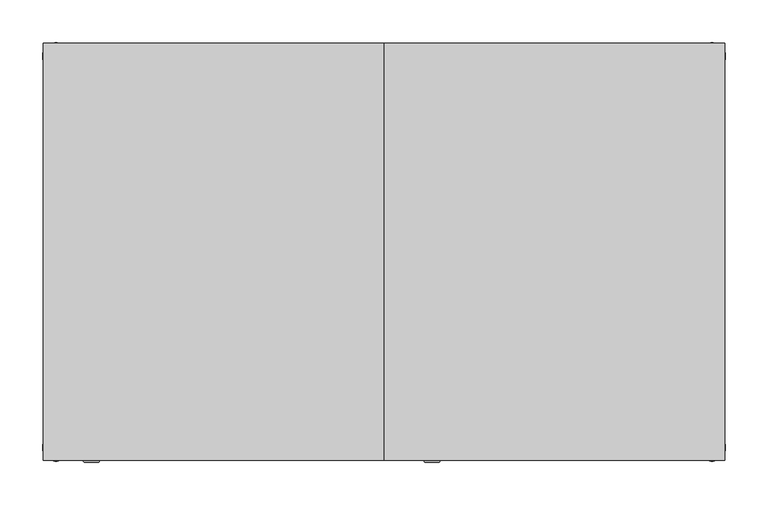
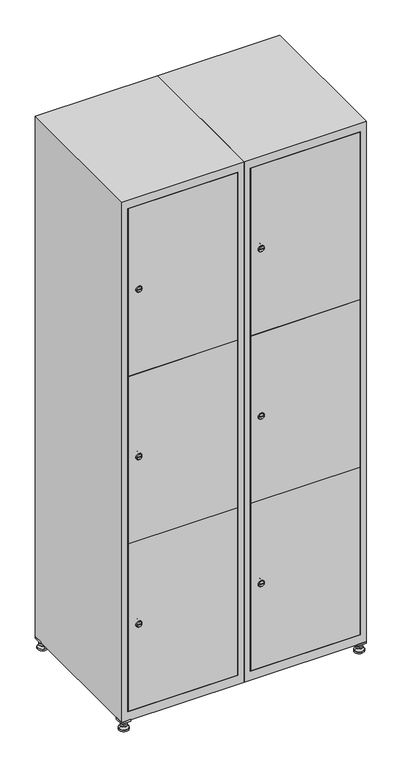
"""IFC4 building model written with IfcOpenShell, lengths in millimetres: furniture geometry."""

from ifc_helpers import new_model, si_unit, point, frame, frame_2d, origin, origin_with_axes, place, context, project, spatial, polyline, circle_curve, trimmed, segment, composite_curve, outline, extrude, faceted_brep, source, transform, mapped, element, save
from ifc_brep_helpers import plane_surface, revolved_surface, advanced_brep


def furniture_c1348e8e(model_context):
    return source(origin(), model_context, "Body", "SolidModel", [
        extrude(outline(polyline([(600.0, 245.0), (600.0, 215.0), (570.0, 215.0), (570.0, 245.0), (600.0, 245.0)]), holes=[polyline([(598.0, 243.0), (572.0, 243.0), (572.0, 217.0), (598.0, 217.0), (598.0, 243.0)])]), frame((0.0, 0.0, 28.5), z_axis=(0.0, 0.0, 1.0), x_axis=(1.0, 0.0, 0.0)), (0.0, 0.0, 1.0), 6.5),
        extrude(outline(polyline([(570.0, -245.0), (570.0, -215.0), (600.0, -215.0), (600.0, -245.0), (570.0, -245.0)]), holes=[polyline([(572.0, -243.0), (598.0, -243.0), (598.0, -217.0), (572.0, -217.0), (572.0, -243.0)])]), frame((0.0, 0.0, 28.5), z_axis=(0.0, 0.0, 1.0), x_axis=(1.0, 0.0, 0.0)), (0.0, 0.0, 1.0), 6.5),
        extrude(outline(polyline([(-170.0, 245.0), (-170.0, 215.0), (-200.0, 215.0), (-200.0, 245.0), (-170.0, 245.0)]), holes=[polyline([(-172.0, 243.0), (-198.0, 243.0), (-198.0, 217.0), (-172.0, 217.0), (-172.0, 243.0)])]), frame((0.0, 0.0, 28.5), z_axis=(0.0, 0.0, 1.0), x_axis=(1.0, 0.0, 0.0)), (0.0, 0.0, 1.0), 6.5),
        extrude(outline(polyline([(-170.0, -215.0), (-170.0, -245.0), (-200.0, -245.0), (-200.0, -215.0), (-170.0, -215.0)]), holes=[polyline([(-198.0, -243.0), (-172.0, -243.0), (-172.0, -217.0), (-198.0, -217.0), (-198.0, -243.0)])]), frame((0.0, 0.0, 28.5), z_axis=(0.0, 0.0, 1.0), x_axis=(1.0, 0.0, 0.0)), (0.0, 0.0, 1.0), 6.5),
        extrude(outline(composite_curve([segment(trimmed(circle_curve(frame_2d((-185.0, 230.0)), 5.0), [point((-180.0, 230.0))], [point((-190.0, 230.0))], False, "CARTESIAN"), True, "CONTINUOUS"), segment(trimmed(circle_curve(frame_2d((-185.0, 230.0)), 5.0), [point((-190.0, 230.0))], [point((-180.0, 230.0))], False, "CARTESIAN"), True, "CONTINUOUS")], self_intersect=False)), frame((0.0, 0.0, 19.6), z_axis=(0.0, 0.0, 1.0), x_axis=(1.0, 0.0, 0.0)), (0.0, 0.0, 1.0), 15.4),
        extrude(outline(composite_curve([segment(trimmed(circle_curve(frame_2d((-185.0, -230.0)), 5.0), [point((-180.0, -230.0))], [point((-190.0, -230.0))], False, "CARTESIAN"), True, "CONTINUOUS"), segment(trimmed(circle_curve(frame_2d((-185.0, -230.0)), 5.0), [point((-190.0, -230.0))], [point((-180.0, -230.0))], False, "CARTESIAN"), True, "CONTINUOUS")], self_intersect=False)), frame((0.0, 0.0, 19.6), z_axis=(0.0, 0.0, 1.0), x_axis=(1.0, 0.0, 0.0)), (0.0, 0.0, 1.0), 15.4),
        extrude(outline(composite_curve([segment(trimmed(circle_curve(frame_2d((585.0, 230.0)), 5.0), [point((590.0, 230.0))], [point((580.0, 230.0))], False, "CARTESIAN"), True, "CONTINUOUS"), segment(trimmed(circle_curve(frame_2d((585.0, 230.0)), 5.0), [point((580.0, 230.0))], [point((590.0, 230.0))], False, "CARTESIAN"), True, "CONTINUOUS")], self_intersect=False)), frame((0.0, 0.0, 19.6), z_axis=(0.0, 0.0, 1.0), x_axis=(1.0, 0.0, 0.0)), (0.0, 0.0, 1.0), 15.4),
        extrude(outline(polyline([(573.4529946, 230.0), (579.2264973, 240.0), (590.7735027, 240.0), (596.5470054, 230.0), (590.7735027, 220.0), (579.2264973, 220.0), (573.4529946, 230.0)])), frame((0.0, 0.0, 13.6), z_axis=(0.0, 0.0, 1.0), x_axis=(1.0, 0.0, 0.0)), (0.0, 0.0, 1.0), 6.0),
        extrude(outline(composite_curve([segment(trimmed(circle_curve(frame_2d((585.0, -230.0)), 5.0), [point((590.0, -230.0))], [point((580.0, -230.0))], False, "CARTESIAN"), True, "CONTINUOUS"), segment(trimmed(circle_curve(frame_2d((585.0, -230.0)), 5.0), [point((580.0, -230.0))], [point((590.0, -230.0))], False, "CARTESIAN"), True, "CONTINUOUS")], self_intersect=False)), frame((0.0, 0.0, 19.6), z_axis=(0.0, 0.0, 1.0), x_axis=(1.0, 0.0, 0.0)), (0.0, 0.0, 1.0), 15.4),
        extrude(outline(polyline([(573.4529946, -230.0), (579.2264973, -220.0), (590.7735027, -220.0), (596.5470054, -230.0), (590.7735027, -240.0), (579.2264973, -240.0), (573.4529946, -230.0)])), frame((0.0, 0.0, 13.6), z_axis=(0.0, 0.0, 1.0), x_axis=(1.0, 0.0, 0.0)), (0.0, 0.0, 1.0), 6.0),
        extrude(outline(composite_curve([segment(trimmed(circle_curve(frame_2d((585.0, 230.0)), 5.0), [point((590.0, 230.0))], [point((580.0, 230.0))], False, "CARTESIAN"), True, "CONTINUOUS"), segment(trimmed(circle_curve(frame_2d((585.0, 230.0)), 5.0), [point((580.0, 230.0))], [point((590.0, 230.0))], False, "CARTESIAN"), True, "CONTINUOUS")], self_intersect=False)), frame((0.0, 0.0, 12.1), z_axis=(0.0, 0.0, 1.0), x_axis=(1.0, 0.0, 0.0)), (0.0, 0.0, 1.0), 1.5),
        extrude(outline(composite_curve([segment(trimmed(circle_curve(frame_2d((585.0, -230.0)), 5.0), [point((590.0, -230.0))], [point((580.0, -230.0))], False, "CARTESIAN"), True, "CONTINUOUS"), segment(trimmed(circle_curve(frame_2d((585.0, -230.0)), 5.0), [point((580.0, -230.0))], [point((590.0, -230.0))], False, "CARTESIAN"), True, "CONTINUOUS")], self_intersect=False)), frame((0.0, 0.0, 12.1), z_axis=(0.0, 0.0, 1.0), x_axis=(1.0, 0.0, 0.0)), (0.0, 0.0, 1.0), 1.5),
        extrude(outline(polyline([(-196.5470054, 230.0), (-190.7735027, 240.0), (-179.2264973, 240.0), (-173.4529946, 230.0), (-179.2264973, 220.0), (-190.7735027, 220.0), (-196.5470054, 230.0)])), frame((0.0, 0.0, 13.6), z_axis=(0.0, 0.0, 1.0), x_axis=(1.0, 0.0, 0.0)), (0.0, 0.0, 1.0), 6.0),
        extrude(outline(polyline([(-196.5470054, -230.0), (-190.7735027, -220.0), (-179.2264973, -220.0), (-173.4529946, -230.0), (-179.2264973, -240.0), (-190.7735027, -240.0), (-196.5470054, -230.0)])), frame((0.0, 0.0, 13.6), z_axis=(0.0, 0.0, 1.0), x_axis=(1.0, 0.0, 0.0)), (0.0, 0.0, 1.0), 6.0),
        extrude(outline(composite_curve([segment(trimmed(circle_curve(frame_2d((-185.0, 230.0)), 5.0), [point((-185.0, 235.0))], [point((-185.0, 225.0))], False, "CARTESIAN"), True, "CONTINUOUS"), segment(trimmed(circle_curve(frame_2d((-185.0, 230.0)), 5.0), [point((-185.0, 225.0))], [point((-185.0, 235.0))], False, "CARTESIAN"), True, "CONTINUOUS")], self_intersect=False)), frame((0.0, 0.0, 12.1), z_axis=(0.0, 0.0, 1.0), x_axis=(1.0, 0.0, 0.0)), (0.0, 0.0, 1.0), 1.5),
        extrude(outline(composite_curve([segment(trimmed(circle_curve(frame_2d((-185.0, -230.0)), 5.0), [point((-180.0, -230.0))], [point((-190.0, -230.0))], False, "CARTESIAN"), True, "CONTINUOUS"), segment(trimmed(circle_curve(frame_2d((-185.0, -230.0)), 5.0), [point((-190.0, -230.0))], [point((-180.0, -230.0))], False, "CARTESIAN"), True, "CONTINUOUS")], self_intersect=False)), frame((0.0, 0.0, 12.1), z_axis=(0.0, 0.0, 1.0), x_axis=(1.0, 0.0, 0.0)), (0.0, 0.0, 1.0), 1.5),
        extrude(outline(composite_curve([segment(trimmed(circle_curve(frame_2d((585.0, 230.0)), 15.75), [point((600.75, 230.0))], [point((569.25, 230.0))], False, "CARTESIAN"), True, "CONTINUOUS"), segment(trimmed(circle_curve(frame_2d((585.0, 230.0)), 15.75), [point((569.25, 230.0))], [point((600.75, 230.0))], False, "CARTESIAN"), True, "CONTINUOUS")], self_intersect=False)), origin_with_axes(), (0.0, 0.0, 1.0), 5.1),
        extrude(outline(composite_curve([segment(trimmed(circle_curve(frame_2d((585.0, -230.0)), 15.75), [point((585.0, -214.25))], [point((585.0, -245.75))], False, "CARTESIAN"), True, "CONTINUOUS"), segment(trimmed(circle_curve(frame_2d((585.0, -230.0)), 15.75), [point((585.0, -245.75))], [point((585.0, -214.25))], False, "CARTESIAN"), True, "CONTINUOUS")], self_intersect=False)), origin_with_axes(), (0.0, 0.0, 1.0), 5.1),
        extrude(outline(composite_curve([segment(trimmed(circle_curve(frame_2d((-185.0, -230.0)), 15.75), [point((-169.25, -230.0))], [point((-200.75, -230.0))], False, "CARTESIAN"), True, "CONTINUOUS"), segment(trimmed(circle_curve(frame_2d((-185.0, -230.0)), 15.75), [point((-200.75, -230.0))], [point((-169.25, -230.0))], False, "CARTESIAN"), True, "CONTINUOUS")], self_intersect=False)), origin_with_axes(), (0.0, 0.0, 1.0), 5.1),
        extrude(outline(composite_curve([segment(trimmed(circle_curve(frame_2d((-185.0, 230.0)), 15.75), [point((-169.25, 230.0))], [point((-200.75, 230.0))], False, "CARTESIAN"), True, "CONTINUOUS"), segment(trimmed(circle_curve(frame_2d((-185.0, 230.0)), 15.75), [point((-200.75, 230.0))], [point((-169.25, 230.0))], False, "CARTESIAN"), True, "CONTINUOUS")], self_intersect=False)), origin_with_axes(), (0.0, 0.0, 1.0), 5.1),
        advanced_brep(
        [(-185.0, 245.75, 5.1), (-185.0, 214.25, 5.1), (-185.0, 239.5, 12.1), (-185.0, 220.5, 12.1)],
        [
            (0, 1, circle_curve(frame((-185.0, 230.0, 5.1), z_axis=(0.0, 0.0, -1.0), x_axis=(0.0, 1.0, 0.0)), 15.75)),
            (1, 0, circle_curve(frame((-185.0, 230.0, 5.1), z_axis=(0.0, 0.0, -1.0), x_axis=(0.0, -1.0, 0.0)), 15.75)),
            (2, 3, circle_curve(frame((-185.0, 230.0, 12.1), z_axis=(0.0, 0.0, 1.0), x_axis=(0.0, -1.0, 0.0)), 9.5)),
            (3, 2, circle_curve(frame((-185.0, 230.0, 12.1), z_axis=(0.0, 0.0, 1.0), x_axis=(0.0, 1.0, 0.0)), 9.5)),
            (3, 1),
            (0, 2),
        ],
        [
            plane_surface(frame((-185.0, 230.0, 5.1), z_axis=(0.0, 0.0, -1.0), x_axis=(1.0, 0.0, 0.0))),
            plane_surface(frame((-185.0, 230.0, 12.1), z_axis=(0.0, 0.0, 1.0), x_axis=(1.0, 0.0, 0.0))),
            revolved_surface(polyline([(-185.0, 220.5, 12.099999999999998), (-185.0, 214.25, 5.099999999999998)]), (-185.0, 230.0, 22.74), (0.0, 0.0, -1.0)),
            revolved_surface(polyline([(-185.0, 239.5, 12.099999999999998), (-185.0, 245.75, 5.099999999999998)]), (-185.0, 230.0, 22.74), (0.0, 0.0, -1.0)),
        ],
        [
            (0, [[1, 2]]),
            (1, [[3, 4]]),
            (2, [[-4, 5, -1, 6]]),
            (3, [[-3, -6, -2, -5]]),
        ],
    ),
        advanced_brep(
        [(585.0, 245.75, 5.1), (585.0, 214.25, 5.1), (585.0, 239.5, 12.1), (585.0, 220.5, 12.1)],
        [
            (0, 1, circle_curve(frame((585.0, 230.0, 5.1), z_axis=(0.0, 0.0, -1.0), x_axis=(0.0, 1.0, 0.0)), 15.75)),
            (1, 0, circle_curve(frame((585.0, 230.0, 5.1), z_axis=(0.0, 0.0, -1.0), x_axis=(0.0, -1.0, 0.0)), 15.75)),
            (2, 3, circle_curve(frame((585.0, 230.0, 12.1), z_axis=(0.0, 0.0, 1.0), x_axis=(0.0, -1.0, 0.0)), 9.5)),
            (3, 2, circle_curve(frame((585.0, 230.0, 12.1), z_axis=(0.0, 0.0, 1.0), x_axis=(0.0, 1.0, 0.0)), 9.5)),
            (3, 1),
            (0, 2),
        ],
        [
            plane_surface(frame((585.0, 230.0, 5.1), z_axis=(0.0, 0.0, -1.0), x_axis=(1.0, 0.0, 0.0))),
            plane_surface(frame((585.0, 230.0, 12.1), z_axis=(0.0, 0.0, 1.0), x_axis=(1.0, 0.0, 0.0))),
            revolved_surface(polyline([(585.0, 220.5, 12.099999999999998), (585.0, 214.25, 5.099999999999998)]), (585.0, 230.0, 22.74), (0.0, 0.0, -1.0)),
            revolved_surface(polyline([(585.0, 239.5, 12.099999999999998), (585.0, 245.75, 5.099999999999998)]), (585.0, 230.0, 22.74), (0.0, 0.0, -1.0)),
        ],
        [
            (0, [[1, 2]]),
            (1, [[3, 4]]),
            (2, [[-4, 5, -1, 6]]),
            (3, [[-3, -6, -2, -5]]),
        ],
    ),
        advanced_brep(
        [(594.5, -230.0, 12.1), (575.5, -230.0, 12.1), (600.75, -230.0, 5.1), (569.25, -230.0, 5.1)],
        [
            (0, 1, circle_curve(frame((585.0, -230.0, 12.1), z_axis=(0.0, 0.0, 1.0), x_axis=(1.0, 0.0, 0.0)), 9.5)),
            (1, 0, circle_curve(frame((585.0, -230.0, 12.1), z_axis=(0.0, 0.0, 1.0), x_axis=(-1.0, 0.0, 0.0)), 9.5)),
            (2, 3, circle_curve(frame((585.0, -230.0, 5.1), z_axis=(0.0, 0.0, -1.0), x_axis=(-1.0, 0.0, 0.0)), 15.75)),
            (3, 2, circle_curve(frame((585.0, -230.0, 5.1), z_axis=(0.0, 0.0, -1.0), x_axis=(1.0, 0.0, 0.0)), 15.75)),
            (3, 1),
            (0, 2),
        ],
        [
            plane_surface(frame((585.0, -230.0, 12.1), z_axis=(0.0, 0.0, 1.0), x_axis=(0.0, 1.0, 0.0))),
            plane_surface(frame((585.0, -230.0, 5.1), z_axis=(0.0, 0.0, -1.0), x_axis=(0.0, 1.0, 0.0))),
            revolved_surface(polyline([(594.5, -230.0, 12.099999999999998), (600.75, -230.0, 5.099999999999998)]), (585.0, -230.0, 22.74), (0.0, 0.0, -1.0)),
            revolved_surface(polyline([(575.5, -230.0, 12.099999999999998), (569.25, -230.0, 5.099999999999998)]), (585.0, -230.0, 22.74), (0.0, 0.0, -1.0)),
        ],
        [
            (0, [[1, 2]]),
            (1, [[3, 4]]),
            (2, [[-4, 5, -1, 6]]),
            (3, [[-3, -6, -2, -5]]),
        ],
    ),
        advanced_brep(
        [(-175.5, -230.0, 12.1), (-194.5, -230.0, 12.1), (-169.25, -230.0, 5.1), (-200.75, -230.0, 5.1)],
        [
            (0, 1, circle_curve(frame((-185.0, -230.0, 12.1), z_axis=(0.0, 0.0, 1.0), x_axis=(1.0, 0.0, 0.0)), 9.5)),
            (1, 0, circle_curve(frame((-185.0, -230.0, 12.1), z_axis=(0.0, 0.0, 1.0), x_axis=(-1.0, 0.0, 0.0)), 9.5)),
            (2, 3, circle_curve(frame((-185.0, -230.0, 5.1), z_axis=(0.0, 0.0, -1.0), x_axis=(-1.0, 0.0, 0.0)), 15.75)),
            (3, 2, circle_curve(frame((-185.0, -230.0, 5.1), z_axis=(0.0, 0.0, -1.0), x_axis=(1.0, 0.0, 0.0)), 15.75)),
            (3, 1),
            (0, 2),
        ],
        [
            plane_surface(frame((-185.0, -230.0, 12.1), z_axis=(0.0, 0.0, 1.0), x_axis=(0.0, 1.0, 0.0))),
            plane_surface(frame((-185.0, -230.0, 5.1), z_axis=(0.0, 0.0, -1.0), x_axis=(0.0, 1.0, 0.0))),
            revolved_surface(polyline([(-175.5, -230.0, 12.099999999999998), (-169.25, -230.0, 5.099999999999998)]), (-185.0, -230.0, 22.74), (0.0, 0.0, -1.0)),
            revolved_surface(polyline([(-194.5, -230.0, 12.099999999999998), (-200.75, -230.0, 5.099999999999998)]), (-185.0, -230.0, 22.74), (0.0, 0.0, -1.0)),
        ],
        [
            (0, [[1, 2]]),
            (1, [[3, 4]]),
            (2, [[-4, 5, -1, 6]]),
            (3, [[-3, -6, -2, -5]]),
        ],
    ),
        extrude(outline(composite_curve([segment(trimmed(circle_curve(frame_2d((355.8, 229.6010534)), 7.0), [point((362.8, 229.6010534))], [point((348.8, 229.6010534))], False, "CARTESIAN"), True, "CONTINUOUS"), segment(polyline([(348.8, 229.6010534), (348.8, 257.6010534)]), True, "CONTINUOUS"), segment(trimmed(circle_curve(frame_2d((355.8, 257.6010534)), 7.0), [point((348.8, 257.6010534))], [point((362.8, 257.6010534))], False, "CARTESIAN"), True, "CONTINUOUS"), segment(polyline([(362.8, 257.6010534), (362.8, 229.6010534)]), True, "CONTINUOUS")], self_intersect=False)), frame((0.0, -227.0, 0.0), z_axis=(0.0, 1.0, 0.0), x_axis=(0.0, 0.0, 1.0)), (0.0, 0.0, 1.0), 2.0),
        advanced_brep(
        [(264.9, -247.2, 355.8), (247.9, -247.2, 355.8), (251.4, -247.2, 354.55), (251.4, -247.2, 357.05), (261.4, -247.2, 357.05), (261.4, -247.2, 354.55), (266.9, -245.0, 355.8), (245.9, -245.0, 355.8), (251.4, -245.0, 357.05), (251.4, -245.0, 354.55), (261.4, -245.0, 354.55), (261.4, -245.0, 357.05)],
        [
            (0, 1, circle_curve(frame((256.4, -247.2, 355.8), z_axis=(0.0, -1.0, 0.0), x_axis=(1.0, 0.0, 0.0)), 8.5)),
            (1, 0, circle_curve(frame((256.4, -247.2, 355.8), z_axis=(0.0, -1.0, 0.0), x_axis=(-1.0, 0.0, 0.0)), 8.5)),
            (2, 3),
            (3, 4),
            (4, 5),
            (5, 2),
            (6, 7, circle_curve(frame((256.4, -245.0, 355.8), z_axis=(0.0, 1.0, 0.0), x_axis=(-1.0, 0.0, 0.0)), 10.5)),
            (7, 6, circle_curve(frame((256.4, -245.0, 355.8), z_axis=(0.0, 1.0, 0.0), x_axis=(1.0, 0.0, 0.0)), 10.5)),
            (8, 9),
            (9, 10),
            (10, 11),
            (11, 8),
            (0, 6),
            (7, 1),
            (8, 3),
            (2, 9),
            (11, 4),
            (10, 5),
        ],
        [
            plane_surface(frame((256.4, -247.2, 355.8), z_axis=(0.0, -1.0, 0.0), x_axis=(0.0, 0.0, 1.0))),
            plane_surface(frame((256.4, -245.0, 355.8), z_axis=(0.0, 1.0, 0.0), x_axis=(0.0, 0.0, 1.0))),
            revolved_surface(polyline([(264.9, -247.2, 355.8), (266.9, -245.0, 355.8)]), (256.4, -256.55, 355.8), (0.0, 1.0, 0.0)),
            revolved_surface(polyline([(247.89999999999998, -247.2, 355.8), (245.9, -245.0, 355.8)]), (256.4, -256.55, 355.8), (0.0, 1.0, 0.0)),
            plane_surface(frame((251.4, -245.0, 354.55), z_axis=(1.0, 0.0, 0.0), x_axis=(0.0, -1.0, 0.0))),
            plane_surface(frame((251.4, -245.0, 357.05), z_axis=(0.0, 0.0, -1.0), x_axis=(0.0, -1.0, 0.0))),
            plane_surface(frame((261.4, -245.0, 357.05), z_axis=(-1.0, 0.0, 0.0), x_axis=(0.0, -1.0, 0.0))),
            plane_surface(frame((261.4, -245.0, 354.55), z_axis=(0.0, 0.0, 1.0), x_axis=(0.0, -1.0, 0.0))),
        ],
        [
            (0, [[1, 2], [3, 4, 5, 6]]),
            (1, [[7, 8], [9, 10, 11, 12]]),
            (2, [[-1, 13, -8, 14]]),
            (3, [[-2, -14, -7, -13]]),
            (4, [[15, -3, 16, -9]]),
            (5, [[-15, -12, 17, -4]]),
            (6, [[-17, -11, 18, -5]]),
            (7, [[-16, -6, -18, -10]]),
        ],
    ),
        extrude(outline(composite_curve([segment(trimmed(circle_curve(frame_2d((935.0, 229.6010534)), 7.0), [point((942.0, 229.6010534))], [point((928.0, 229.6010534))], False, "CARTESIAN"), True, "CONTINUOUS"), segment(polyline([(928.0, 229.6010534), (928.0, 257.6010534)]), True, "CONTINUOUS"), segment(trimmed(circle_curve(frame_2d((935.0, 257.6010534)), 7.0), [point((928.0, 257.6010534))], [point((942.0, 257.6010534))], False, "CARTESIAN"), True, "CONTINUOUS"), segment(polyline([(942.0, 257.6010534), (942.0, 229.6010534)]), True, "CONTINUOUS")], self_intersect=False)), frame((0.0, -227.0, 0.0), z_axis=(0.0, 1.0, 0.0), x_axis=(0.0, 0.0, 1.0)), (0.0, 0.0, 1.0), 2.0),
        advanced_brep(
        [(264.9, -247.2, 935.0), (247.9, -247.2, 935.0), (251.4, -247.2, 933.75), (251.4, -247.2, 936.25), (261.4, -247.2, 936.25), (261.4, -247.2, 933.75), (266.9, -245.0, 935.0), (245.9, -245.0, 935.0), (251.4, -245.0, 936.25), (251.4, -245.0, 933.75), (261.4, -245.0, 933.75), (261.4, -245.0, 936.25)],
        [
            (0, 1, circle_curve(frame((256.4, -247.2, 935.0), z_axis=(0.0, -1.0, 0.0), x_axis=(1.0, 0.0, 0.0)), 8.5)),
            (1, 0, circle_curve(frame((256.4, -247.2, 935.0), z_axis=(0.0, -1.0, 0.0), x_axis=(-1.0, 0.0, 0.0)), 8.5)),
            (2, 3),
            (3, 4),
            (4, 5),
            (5, 2),
            (6, 7, circle_curve(frame((256.4, -245.0, 935.0), z_axis=(0.0, 1.0, 0.0), x_axis=(-1.0, 0.0, 0.0)), 10.5)),
            (7, 6, circle_curve(frame((256.4, -245.0, 935.0), z_axis=(0.0, 1.0, 0.0), x_axis=(1.0, 0.0, 0.0)), 10.5)),
            (8, 9),
            (9, 10),
            (10, 11),
            (11, 8),
            (0, 6),
            (7, 1),
            (8, 3),
            (2, 9),
            (11, 4),
            (10, 5),
        ],
        [
            plane_surface(frame((256.4, -247.2, 935.0), z_axis=(0.0, -1.0, 0.0), x_axis=(0.0, 0.0, 1.0))),
            plane_surface(frame((256.4, -245.0, 935.0), z_axis=(0.0, 1.0, 0.0), x_axis=(0.0, 0.0, 1.0))),
            revolved_surface(polyline([(264.9, -247.2, 935.0), (266.9, -245.0, 935.0)]), (256.4, -256.55, 935.0), (0.0, 1.0, 0.0)),
            revolved_surface(polyline([(247.89999999999998, -247.2, 935.0), (245.9, -245.0, 935.0)]), (256.4, -256.55, 935.0), (0.0, 1.0, 0.0)),
            plane_surface(frame((251.4, -245.0, 933.75), z_axis=(1.0, 0.0, 0.0), x_axis=(0.0, -1.0, 0.0))),
            plane_surface(frame((251.4, -245.0, 936.25), z_axis=(0.0, 0.0, -1.0), x_axis=(0.0, -1.0, 0.0))),
            plane_surface(frame((261.4, -245.0, 936.25), z_axis=(-1.0, 0.0, 0.0), x_axis=(0.0, -1.0, 0.0))),
            plane_surface(frame((261.4, -245.0, 933.75), z_axis=(0.0, 0.0, 1.0), x_axis=(0.0, -1.0, 0.0))),
        ],
        [
            (0, [[1, 2], [3, 4, 5, 6]]),
            (1, [[7, 8], [9, 10, 11, 12]]),
            (2, [[-1, 13, -8, 14]]),
            (3, [[-2, -14, -7, -13]]),
            (4, [[15, -3, 16, -9]]),
            (5, [[-15, -12, 17, -4]]),
            (6, [[-17, -11, 18, -5]]),
            (7, [[-16, -6, -18, -10]]),
        ],
    ),
        extrude(outline(composite_curve([segment(trimmed(circle_curve(frame_2d((1514.2, 229.6010534)), 7.0), [point((1521.2, 229.6010534))], [point((1507.2, 229.6010534))], False, "CARTESIAN"), True, "CONTINUOUS"), segment(polyline([(1507.2, 229.6010534), (1507.2, 257.6010534)]), True, "CONTINUOUS"), segment(trimmed(circle_curve(frame_2d((1514.2, 257.6010534)), 7.0), [point((1507.2, 257.6010534))], [point((1521.2, 257.6010534))], False, "CARTESIAN"), True, "CONTINUOUS"), segment(polyline([(1521.2, 257.6010534), (1521.2, 229.6010534)]), True, "CONTINUOUS")], self_intersect=False)), frame((0.0, -227.0, 0.0), z_axis=(0.0, 1.0, 0.0), x_axis=(0.0, 0.0, 1.0)), (0.0, 0.0, 1.0), 2.0),
        advanced_brep(
        [(264.9, -247.2, 1514.2), (247.9, -247.2, 1514.2), (251.4, -247.2, 1512.95), (251.4, -247.2, 1515.45), (261.4, -247.2, 1515.45), (261.4, -247.2, 1512.95), (266.9, -245.0, 1514.2), (245.9, -245.0, 1514.2), (251.4, -245.0, 1515.45), (251.4, -245.0, 1512.95), (261.4, -245.0, 1512.95), (261.4, -245.0, 1515.45)],
        [
            (0, 1, circle_curve(frame((256.4, -247.2, 1514.2), z_axis=(0.0, -1.0, 0.0), x_axis=(1.0, 0.0, 0.0)), 8.5)),
            (1, 0, circle_curve(frame((256.4, -247.2, 1514.2), z_axis=(0.0, -1.0, 0.0), x_axis=(-1.0, 0.0, 0.0)), 8.5)),
            (2, 3),
            (3, 4),
            (4, 5),
            (5, 2),
            (6, 7, circle_curve(frame((256.4, -245.0, 1514.2), z_axis=(0.0, 1.0, 0.0), x_axis=(-1.0, 0.0, 0.0)), 10.5)),
            (7, 6, circle_curve(frame((256.4, -245.0, 1514.2), z_axis=(0.0, 1.0, 0.0), x_axis=(1.0, 0.0, 0.0)), 10.5)),
            (8, 9),
            (9, 10),
            (10, 11),
            (11, 8),
            (0, 6),
            (7, 1),
            (8, 3),
            (2, 9),
            (11, 4),
            (10, 5),
        ],
        [
            plane_surface(frame((256.4, -247.2, 1514.2), z_axis=(0.0, -1.0, 0.0), x_axis=(0.0, 0.0, 1.0))),
            plane_surface(frame((256.4, -245.0, 1514.2), z_axis=(0.0, 1.0, 0.0), x_axis=(0.0, 0.0, 1.0))),
            revolved_surface(polyline([(264.9, -247.2, 1514.2), (266.9, -245.0, 1514.2)]), (256.4, -256.55, 1514.2), (0.0, 1.0, 0.0)),
            revolved_surface(polyline([(247.89999999999998, -247.2, 1514.2), (245.9, -245.0, 1514.2)]), (256.4, -256.55, 1514.2), (0.0, 1.0, 0.0)),
            plane_surface(frame((251.4, -245.0, 1512.95), z_axis=(1.0, 0.0, 0.0), x_axis=(0.0, -1.0, 0.0))),
            plane_surface(frame((251.4, -245.0, 1515.45), z_axis=(0.0, 0.0, -1.0), x_axis=(0.0, -1.0, 0.0))),
            plane_surface(frame((261.4, -245.0, 1515.45), z_axis=(-1.0, 0.0, 0.0), x_axis=(0.0, -1.0, 0.0))),
            plane_surface(frame((261.4, -245.0, 1512.95), z_axis=(0.0, 0.0, 1.0), x_axis=(0.0, -1.0, 0.0))),
        ],
        [
            (0, [[1, 2], [3, 4, 5, 6]]),
            (1, [[7, 8], [9, 10, 11, 12]]),
            (2, [[-1, 13, -8, 14]]),
            (3, [[-2, -14, -7, -13]]),
            (4, [[15, -3, 16, -9]]),
            (5, [[-15, -12, 17, -4]]),
            (6, [[-17, -11, 18, -5]]),
            (7, [[-16, -6, -18, -10]]),
        ],
    ),
        extrude(outline(polyline([(578.6, -227.0), (578.6, -245.0), (221.4, -245.0), (221.4, -227.0), (578.6, -227.0)])), frame((0.0, 0.0, 645.9), z_axis=(0.0, 0.0, 1.0), x_axis=(1.0, 0.0, 0.0)), (0.0, 0.0, 1.0), 578.2),
        extrude(outline(polyline([(221.4, -245.0), (221.4, -227.0), (578.6, -227.0), (578.6, -245.0), (221.4, -245.0)])), frame((0.0, 0.0, 1225.1), z_axis=(0.0, 0.0, 1.0), x_axis=(1.0, 0.0, 0.0)), (0.0, 0.0, 1.0), 578.7),
        extrude(outline(polyline([(578.6, -227.0), (578.6, -245.0), (221.4, -245.0), (221.4, -227.0), (578.6, -227.0)])), frame((0.0, 0.0, 66.2), z_axis=(0.0, 0.0, 1.0), x_axis=(1.0, 0.0, 0.0)), (0.0, 0.0, 1.0), 578.7),
        extrude(outline(polyline([(579.6, 242.0), (579.6, -227.0), (220.4, -227.0), (220.4, 242.0), (579.6, 242.0)])), frame((0.0, 0.0, 1214.7333333), z_axis=(0.0, 0.0, 1.0), x_axis=(1.0, 0.0, 0.0)), (0.0, 0.0, 1.0), 20.4),
        extrude(outline(polyline([(220.4, 242.0), (579.6, 242.0), (579.6, -227.0), (220.4, -227.0), (220.4, 242.0)])), frame((0.0, 0.0, 634.8666667), z_axis=(0.0, 0.0, 1.0), x_axis=(1.0, 0.0, 0.0)), (0.0, 0.0, 1.0), 20.4),
        faceted_brep([(600.0, -245.0, 35.0), (600.0, -245.0, 1835.0), (200.0, -245.0, 1835.0), (200.0, -245.0, 35.0), (579.6, -245.0, 1804.8), (579.6, -245.0, 65.2), (220.4, -245.0, 65.2), (220.4, -245.0, 1804.8), (600.0, 245.0, 35.0), (200.0, 245.0, 35.0), (600.0, 245.0, 1835.0), (200.0, 245.0, 1835.0), (579.6, 242.0, 1804.8), (579.6, 242.0, 65.2), (200.0, 245.0, 1804.8), (220.4, 242.0, 1804.8), (220.4, 242.0, 65.2)], [[[0, 1, 2, 3], [4, 5, 6, 7]], [[8, 0, 3, 9]], [[1, 0, 8, 10]], [[1, 10, 11, 2]], [[4, 12, 13, 5]], [[9, 3, 2, 11, 14]], [[10, 8, 9, 14, 11]], [[12, 15, 16, 13]], [[15, 7, 6, 16]], [[4, 7, 15, 12]], [[6, 5, 13, 16]]]),
        extrude(outline(composite_curve([segment(trimmed(circle_curve(frame_2d((355.8, -170.3989466)), 7.0), [point((362.8, -170.3989466))], [point((348.8, -170.3989466))], False, "CARTESIAN"), True, "CONTINUOUS"), segment(polyline([(348.8, -170.3989466), (348.8, -142.3989466)]), True, "CONTINUOUS"), segment(trimmed(circle_curve(frame_2d((355.8, -142.3989466)), 7.0), [point((348.8, -142.3989466))], [point((362.8, -142.3989466))], False, "CARTESIAN"), True, "CONTINUOUS"), segment(polyline([(362.8, -142.3989466), (362.8, -170.3989466)]), True, "CONTINUOUS")], self_intersect=False)), frame((0.0, -227.0, 0.0), z_axis=(0.0, 1.0, 0.0), x_axis=(0.0, 0.0, 1.0)), (0.0, 0.0, 1.0), 2.0),
        advanced_brep(
        [(-135.1, -247.2, 355.8), (-152.1, -247.2, 355.8), (-148.6, -247.2, 354.55), (-148.6, -247.2, 357.05), (-138.6, -247.2, 357.05), (-138.6, -247.2, 354.55), (-133.1, -245.0, 355.8), (-154.1, -245.0, 355.8), (-148.6, -245.0, 357.05), (-148.6, -245.0, 354.55), (-138.6, -245.0, 354.55), (-138.6, -245.0, 357.05)],
        [
            (0, 1, circle_curve(frame((-143.6, -247.2, 355.8), z_axis=(0.0, -1.0, 0.0), x_axis=(1.0, 0.0, 0.0)), 8.5)),
            (1, 0, circle_curve(frame((-143.6, -247.2, 355.8), z_axis=(0.0, -1.0, 0.0), x_axis=(-1.0, 0.0, 0.0)), 8.5)),
            (2, 3),
            (3, 4),
            (4, 5),
            (5, 2),
            (6, 7, circle_curve(frame((-143.6, -245.0, 355.8), z_axis=(0.0, 1.0, 0.0), x_axis=(-1.0, 0.0, 0.0)), 10.5)),
            (7, 6, circle_curve(frame((-143.6, -245.0, 355.8), z_axis=(0.0, 1.0, 0.0), x_axis=(1.0, 0.0, 0.0)), 10.5)),
            (8, 9),
            (9, 10),
            (10, 11),
            (11, 8),
            (0, 6),
            (7, 1),
            (8, 3),
            (2, 9),
            (11, 4),
            (10, 5),
        ],
        [
            plane_surface(frame((-143.6, -247.2, 355.8), z_axis=(0.0, -1.0, 0.0), x_axis=(0.0, 0.0, 1.0))),
            plane_surface(frame((-143.6, -245.0, 355.8), z_axis=(0.0, 1.0, 0.0), x_axis=(0.0, 0.0, 1.0))),
            revolved_surface(polyline([(-135.1, -247.2, 355.8), (-133.1, -245.0, 355.8)]), (-143.6, -256.55, 355.8), (0.0, 1.0, 0.0)),
            revolved_surface(polyline([(-152.1, -247.2, 355.8), (-154.1, -245.0, 355.8)]), (-143.6, -256.55, 355.8), (0.0, 1.0, 0.0)),
            plane_surface(frame((-148.6, -245.0, 354.55), z_axis=(1.0, 0.0, 0.0), x_axis=(0.0, -1.0, 0.0))),
            plane_surface(frame((-148.6, -245.0, 357.05), z_axis=(0.0, 0.0, -1.0), x_axis=(0.0, -1.0, 0.0))),
            plane_surface(frame((-138.6, -245.0, 357.05), z_axis=(-1.0, 0.0, 0.0), x_axis=(0.0, -1.0, 0.0))),
            plane_surface(frame((-138.6, -245.0, 354.55), z_axis=(0.0, 0.0, 1.0), x_axis=(0.0, -1.0, 0.0))),
        ],
        [
            (0, [[1, 2], [3, 4, 5, 6]]),
            (1, [[7, 8], [9, 10, 11, 12]]),
            (2, [[-1, 13, -8, 14]]),
            (3, [[-2, -14, -7, -13]]),
            (4, [[15, -3, 16, -9]]),
            (5, [[-15, -12, 17, -4]]),
            (6, [[-17, -11, 18, -5]]),
            (7, [[-16, -6, -18, -10]]),
        ],
    ),
        extrude(outline(composite_curve([segment(trimmed(circle_curve(frame_2d((935.0, -170.3989466)), 7.0), [point((942.0, -170.3989466))], [point((928.0, -170.3989466))], False, "CARTESIAN"), True, "CONTINUOUS"), segment(polyline([(928.0, -170.3989466), (928.0, -142.3989466)]), True, "CONTINUOUS"), segment(trimmed(circle_curve(frame_2d((935.0, -142.3989466)), 7.0), [point((928.0, -142.3989466))], [point((942.0, -142.3989466))], False, "CARTESIAN"), True, "CONTINUOUS"), segment(polyline([(942.0, -142.3989466), (942.0, -170.3989466)]), True, "CONTINUOUS")], self_intersect=False)), frame((0.0, -227.0, 0.0), z_axis=(0.0, 1.0, 0.0), x_axis=(0.0, 0.0, 1.0)), (0.0, 0.0, 1.0), 2.0),
        advanced_brep(
        [(-135.1, -247.2, 935.0), (-152.1, -247.2, 935.0), (-148.6, -247.2, 933.75), (-148.6, -247.2, 936.25), (-138.6, -247.2, 936.25), (-138.6, -247.2, 933.75), (-133.1, -245.0, 935.0), (-154.1, -245.0, 935.0), (-148.6, -245.0, 936.25), (-148.6, -245.0, 933.75), (-138.6, -245.0, 933.75), (-138.6, -245.0, 936.25)],
        [
            (0, 1, circle_curve(frame((-143.6, -247.2, 935.0), z_axis=(0.0, -1.0, 0.0), x_axis=(1.0, 0.0, 0.0)), 8.5)),
            (1, 0, circle_curve(frame((-143.6, -247.2, 935.0), z_axis=(0.0, -1.0, 0.0), x_axis=(-1.0, 0.0, 0.0)), 8.5)),
            (2, 3),
            (3, 4),
            (4, 5),
            (5, 2),
            (6, 7, circle_curve(frame((-143.6, -245.0, 935.0), z_axis=(0.0, 1.0, 0.0), x_axis=(-1.0, 0.0, 0.0)), 10.5)),
            (7, 6, circle_curve(frame((-143.6, -245.0, 935.0), z_axis=(0.0, 1.0, 0.0), x_axis=(1.0, 0.0, 0.0)), 10.5)),
            (8, 9),
            (9, 10),
            (10, 11),
            (11, 8),
            (0, 6),
            (7, 1),
            (8, 3),
            (2, 9),
            (11, 4),
            (10, 5),
        ],
        [
            plane_surface(frame((-143.6, -247.2, 935.0), z_axis=(0.0, -1.0, 0.0), x_axis=(0.0, 0.0, 1.0))),
            plane_surface(frame((-143.6, -245.0, 935.0), z_axis=(0.0, 1.0, 0.0), x_axis=(0.0, 0.0, 1.0))),
            revolved_surface(polyline([(-135.1, -247.2, 935.0), (-133.1, -245.0, 935.0)]), (-143.6, -256.55, 935.0), (0.0, 1.0, 0.0)),
            revolved_surface(polyline([(-152.1, -247.2, 935.0), (-154.1, -245.0, 935.0)]), (-143.6, -256.55, 935.0), (0.0, 1.0, 0.0)),
            plane_surface(frame((-148.6, -245.0, 933.75), z_axis=(1.0, 0.0, 0.0), x_axis=(0.0, -1.0, 0.0))),
            plane_surface(frame((-148.6, -245.0, 936.25), z_axis=(0.0, 0.0, -1.0), x_axis=(0.0, -1.0, 0.0))),
            plane_surface(frame((-138.6, -245.0, 936.25), z_axis=(-1.0, 0.0, 0.0), x_axis=(0.0, -1.0, 0.0))),
            plane_surface(frame((-138.6, -245.0, 933.75), z_axis=(0.0, 0.0, 1.0), x_axis=(0.0, -1.0, 0.0))),
        ],
        [
            (0, [[1, 2], [3, 4, 5, 6]]),
            (1, [[7, 8], [9, 10, 11, 12]]),
            (2, [[-1, 13, -8, 14]]),
            (3, [[-2, -14, -7, -13]]),
            (4, [[15, -3, 16, -9]]),
            (5, [[-15, -12, 17, -4]]),
            (6, [[-17, -11, 18, -5]]),
            (7, [[-16, -6, -18, -10]]),
        ],
    ),
        extrude(outline(composite_curve([segment(trimmed(circle_curve(frame_2d((1514.2, -170.3989466)), 7.0), [point((1521.2, -170.3989466))], [point((1507.2, -170.3989466))], False, "CARTESIAN"), True, "CONTINUOUS"), segment(polyline([(1507.2, -170.3989466), (1507.2, -142.3989466)]), True, "CONTINUOUS"), segment(trimmed(circle_curve(frame_2d((1514.2, -142.3989466)), 7.0), [point((1507.2, -142.3989466))], [point((1521.2, -142.3989466))], False, "CARTESIAN"), True, "CONTINUOUS"), segment(polyline([(1521.2, -142.3989466), (1521.2, -170.3989466)]), True, "CONTINUOUS")], self_intersect=False)), frame((0.0, -227.0, 0.0), z_axis=(0.0, 1.0, 0.0), x_axis=(0.0, 0.0, 1.0)), (0.0, 0.0, 1.0), 2.0),
        advanced_brep(
        [(-135.1, -247.2, 1514.2), (-152.1, -247.2, 1514.2), (-148.6, -247.2, 1512.95), (-148.6, -247.2, 1515.45), (-138.6, -247.2, 1515.45), (-138.6, -247.2, 1512.95), (-133.1, -245.0, 1514.2), (-154.1, -245.0, 1514.2), (-148.6, -245.0, 1515.45), (-148.6, -245.0, 1512.95), (-138.6, -245.0, 1512.95), (-138.6, -245.0, 1515.45)],
        [
            (0, 1, circle_curve(frame((-143.6, -247.2, 1514.2), z_axis=(0.0, -1.0, 0.0), x_axis=(1.0, 0.0, 0.0)), 8.5)),
            (1, 0, circle_curve(frame((-143.6, -247.2, 1514.2), z_axis=(0.0, -1.0, 0.0), x_axis=(-1.0, 0.0, 0.0)), 8.5)),
            (2, 3),
            (3, 4),
            (4, 5),
            (5, 2),
            (6, 7, circle_curve(frame((-143.6, -245.0, 1514.2), z_axis=(0.0, 1.0, 0.0), x_axis=(-1.0, 0.0, 0.0)), 10.5)),
            (7, 6, circle_curve(frame((-143.6, -245.0, 1514.2), z_axis=(0.0, 1.0, 0.0), x_axis=(1.0, 0.0, 0.0)), 10.5)),
            (8, 9),
            (9, 10),
            (10, 11),
            (11, 8),
            (0, 6),
            (7, 1),
            (8, 3),
            (2, 9),
            (11, 4),
            (10, 5),
        ],
        [
            plane_surface(frame((-143.6, -247.2, 1514.2), z_axis=(0.0, -1.0, 0.0), x_axis=(0.0, 0.0, 1.0))),
            plane_surface(frame((-143.6, -245.0, 1514.2), z_axis=(0.0, 1.0, 0.0), x_axis=(0.0, 0.0, 1.0))),
            revolved_surface(polyline([(-135.1, -247.2, 1514.2), (-133.1, -245.0, 1514.2)]), (-143.6, -256.55, 1514.2), (0.0, 1.0, 0.0)),
            revolved_surface(polyline([(-152.1, -247.2, 1514.2), (-154.1, -245.0, 1514.2)]), (-143.6, -256.55, 1514.2), (0.0, 1.0, 0.0)),
            plane_surface(frame((-148.6, -245.0, 1512.95), z_axis=(1.0, 0.0, 0.0), x_axis=(0.0, -1.0, 0.0))),
            plane_surface(frame((-148.6, -245.0, 1515.45), z_axis=(0.0, 0.0, -1.0), x_axis=(0.0, -1.0, 0.0))),
            plane_surface(frame((-138.6, -245.0, 1515.45), z_axis=(-1.0, 0.0, 0.0), x_axis=(0.0, -1.0, 0.0))),
            plane_surface(frame((-138.6, -245.0, 1512.95), z_axis=(0.0, 0.0, 1.0), x_axis=(0.0, -1.0, 0.0))),
        ],
        [
            (0, [[1, 2], [3, 4, 5, 6]]),
            (1, [[7, 8], [9, 10, 11, 12]]),
            (2, [[-1, 13, -8, 14]]),
            (3, [[-2, -14, -7, -13]]),
            (4, [[15, -3, 16, -9]]),
            (5, [[-15, -12, 17, -4]]),
            (6, [[-17, -11, 18, -5]]),
            (7, [[-16, -6, -18, -10]]),
        ],
    ),
        extrude(outline(polyline([(178.6, -227.0), (178.6, -245.0), (-178.6, -245.0), (-178.6, -227.0), (178.6, -227.0)])), frame((0.0, 0.0, 645.9), z_axis=(0.0, 0.0, 1.0), x_axis=(1.0, 0.0, 0.0)), (0.0, 0.0, 1.0), 578.2),
        extrude(outline(polyline([(-178.6, -245.0), (-178.6, -227.0), (178.6, -227.0), (178.6, -245.0), (-178.6, -245.0)])), frame((0.0, 0.0, 1225.1), z_axis=(0.0, 0.0, 1.0), x_axis=(1.0, 0.0, 0.0)), (0.0, 0.0, 1.0), 578.7),
        extrude(outline(polyline([(178.6, -227.0), (178.6, -245.0), (-178.6, -245.0), (-178.6, -227.0), (178.6, -227.0)])), frame((0.0, 0.0, 66.2), z_axis=(0.0, 0.0, 1.0), x_axis=(1.0, 0.0, 0.0)), (0.0, 0.0, 1.0), 578.7),
        extrude(outline(polyline([(179.6, 242.0), (179.6, -227.0), (-179.6, -227.0), (-179.6, 242.0), (179.6, 242.0)])), frame((0.0, 0.0, 1214.7333333), z_axis=(0.0, 0.0, 1.0), x_axis=(1.0, 0.0, 0.0)), (0.0, 0.0, 1.0), 20.4),
        extrude(outline(polyline([(-179.6, 242.0), (179.6, 242.0), (179.6, -227.0), (-179.6, -227.0), (-179.6, 242.0)])), frame((0.0, 0.0, 634.8666667), z_axis=(0.0, 0.0, 1.0), x_axis=(1.0, 0.0, 0.0)), (0.0, 0.0, 1.0), 20.4),
        faceted_brep([(200.0, -245.0, 35.0), (200.0, -245.0, 1835.0), (-200.0, -245.0, 1835.0), (-200.0, -245.0, 35.0), (179.6, -245.0, 1804.8), (179.6, -245.0, 65.2), (-179.6, -245.0, 65.2), (-179.6, -245.0, 1804.8), (200.0, 245.0, 35.0), (-200.0, 245.0, 35.0), (200.0, 245.0, 1835.0), (-200.0, 245.0, 1835.0), (179.6, 242.0, 1804.8), (179.6, 242.0, 65.2), (-200.0, 245.0, 1804.8), (-179.6, 242.0, 1804.8), (-179.6, 242.0, 65.2)], [[[0, 1, 2, 3], [4, 5, 6, 7]], [[8, 0, 3, 9]], [[1, 0, 8, 10]], [[1, 10, 11, 2]], [[4, 12, 13, 5]], [[9, 3, 2, 11, 14]], [[10, 8, 9, 14, 11]], [[12, 15, 16, 13]], [[15, 7, 6, 16]], [[4, 7, 15, 12]], [[6, 5, 13, 16]]]),
    ])


if __name__ == "__main__":
    model = new_model("IFC4")
    model_context = context("Model", 3, world=origin())
    ifc_project = project(units=[si_unit("LENGTHUNIT", "METRE", prefix="MILLI")], contexts=[model_context])
    site = spatial("IfcSite", under=ifc_project)
    building = spatial("IfcBuilding", under=site)
    placement = place(None, origin())
    furniture_shape = furniture_c1348e8e(model_context)
    element("IfcFurniture", 1, at=placement, inside=building, context=model_context, shape_type="MappedRepresentation", body=[
        mapped(furniture_shape, transform((0.0, 0.0, 0.0), x_axis=(1.0, 0.0, 0.0), y_axis=(0.0, 1.0, 0.0), z_axis=(0.0, 0.0, 1.0))),
    ])
    save(model, "model.ifc")
